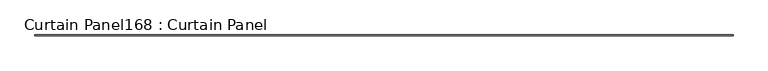
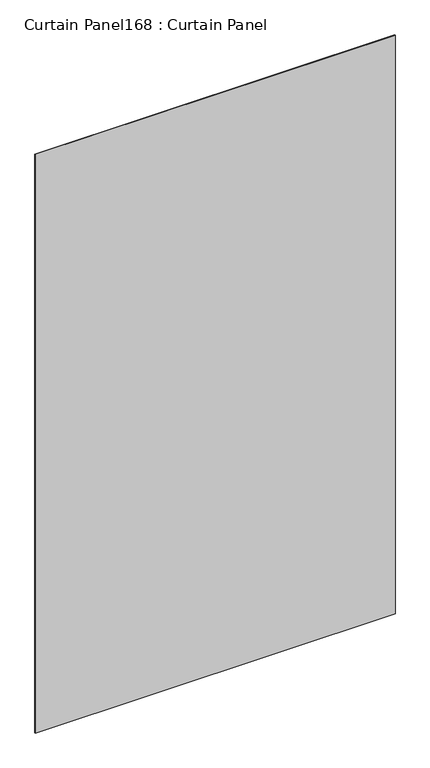
"""IFC4 building model written with IfcOpenShell, lengths in millimetres: plate geometry, Curtain Panel168 : Curtain Panel."""

import ifcopenshell
import ifcopenshell.guid

model = None  # the IFC model being written
_history = None  # IfcOwnerHistory: only IFC2X3 demands one
_inside = {}  # id of a spatial element -> (the spatial element, [elements in it])
_under = {}  # id of a project, library or spatial element -> (it, [spatial elements below it])
_declared = {}  # id of a project -> (the project, [libraries it declares])
_typed = {}  # id of a type object -> (the type object, [elements of that type])
_made_of = {}  # id of a material, layer set ... -> (it, [elements and type objects made of it])


def new_model(schema):
    """Start an empty IFC model of exactly this schema.

    Asked for "IFC4X3", IfcOpenShell would pick the latest addendum, in which some entities
    have other attributes; the version numbers below select the first issue.
    IFC2X3 requires an IfcOwnerHistory on every rooted entity: one is made here for all.
    """
    global model, _history
    if schema == "IFC4X3":
        model = ifcopenshell.file(schema_version=(4, 3, 0, 0))
    else:
        model = ifcopenshell.file(schema=schema)
    _inside.clear()
    _under.clear()
    _declared.clear()
    _typed.clear()
    _made_of.clear()
    _history = None
    if model.schema == "IFC2X3":
        org = make("IfcOrganization", Name="unknown")
        user = make(
            "IfcPersonAndOrganization",
            ThePerson=make("IfcPerson", FamilyName="unknown"),
            TheOrganization=org,
        )
        app = make(
            "IfcApplication",
            ApplicationDeveloper=org,
            Version="unknown",
            ApplicationFullName="unknown",
            ApplicationIdentifier="unknown",
        )
        _history = make(
            "IfcOwnerHistory",
            OwningUser=user,
            OwningApplication=app,
            ChangeAction="ADDED",
            CreationDate=0,
        )
    return model


def make(cls, **values):
    """One entity of the class cls with the attributes given. An attribute that is None is left unset."""
    return model.create_entity(
        cls, **{name: value for name, value in values.items() if value is not None}
    )


def rooted(cls, **values):
    """An entity with a GlobalId (a new one), such as an element, a storey or a relation."""
    return make(cls, GlobalId=ifcopenshell.guid.new(), OwnerHistory=_history, **values)


def si_unit(unit_type, name, prefix=None):
    """IfcSIUnit, for example si_unit("LENGTHUNIT", "METRE", prefix="MILLI")."""
    return make("IfcSIUnit", UnitType=unit_type, Prefix=prefix, Name=name)


def assignment(units):
    """IfcUnitAssignment: the units of a project."""
    return None if units is None else make("IfcUnitAssignment", Units=units)


def point(xyz):
    """IfcCartesianPoint."""
    return None if xyz is None else make("IfcCartesianPoint", Coordinates=xyz)


def direction(xyz):
    """IfcDirection."""
    return None if xyz is None else make("IfcDirection", DirectionRatios=xyz)


def frame(location, z_axis=None, x_axis=None):
    """IfcAxis2Placement3D, a coordinate frame: its origin and axes. An axis left out is left unset."""
    return make(
        "IfcAxis2Placement3D",
        Location=point(location),
        Axis=direction(z_axis),
        RefDirection=direction(x_axis),
    )


def origin():
    """The frame at (0, 0, 0) with its axes left unset."""
    return frame((0.0, 0.0, 0.0))


def place(relative_to, where):
    """IfcLocalPlacement: puts the frame where relative to a parent placement (None: the world)."""
    return make(
        "IfcLocalPlacement", PlacementRelTo=relative_to, RelativePlacement=where
    )


def context(
    kind, dimensions, precision=None, world=None, true_north=None, identifier=None
):
    """IfcGeometricRepresentationContext, for example the 3D "Model" context."""
    return make(
        "IfcGeometricRepresentationContext",
        ContextIdentifier=identifier,
        ContextType=kind,
        CoordinateSpaceDimension=dimensions,
        Precision=precision,
        WorldCoordinateSystem=world,
        TrueNorth=true_north,
    )


def project(units=None, contexts=None):
    """IfcProject with its units and contexts."""
    return rooted(
        "IfcProject",
        Name="project",
        RepresentationContexts=contexts,
        UnitsInContext=assignment(units),
    )


def spatial(cls, under=None, at=None, **own):
    """A site, building, storey or space (cls), placed at a placement, below another one or the project."""
    s = rooted(cls, ObjectPlacement=at, **own)
    if under is not None:
        _under.setdefault(under.id(), (under, []))[1].append(s)
    return s


def polyline(points):
    """IfcPolyline through the points."""
    return make("IfcPolyline", Points=[point(p) for p in points])


def outline(outer, holes=None, kind="AREA"):
    """IfcArbitraryClosedProfileDef: a profile drawn as a closed curve; with holes, ...WithVoids."""
    if holes is None:
        return make("IfcArbitraryClosedProfileDef", ProfileType=kind, OuterCurve=outer)
    return make(
        "IfcArbitraryProfileDefWithVoids",
        ProfileType=kind,
        OuterCurve=outer,
        InnerCurves=holes,
    )


def extrude(swept, where, along, depth):
    """IfcExtrudedAreaSolid: the profile swept, set in the frame where, extruded along a direction by depth."""
    return make(
        "IfcExtrudedAreaSolid",
        SweptArea=swept,
        Position=where,
        ExtrudedDirection=direction(along),
        Depth=depth,
    )


def shape(context_of_items, identifier, shape_type, items):
    """IfcShapeRepresentation: the items that make up one representation, for example the "Body"."""
    return make(
        "IfcShapeRepresentation",
        ContextOfItems=context_of_items,
        RepresentationIdentifier=identifier,
        RepresentationType=shape_type,
        Items=items,
    )


def source(mapping_origin, context_of_items, identifier, shape_type, items):
    """IfcRepresentationMap: a shape defined once, which mapped items show again and again."""
    return make(
        "IfcRepresentationMap",
        MappingOrigin=mapping_origin,
        MappedRepresentation=shape(context_of_items, identifier, shape_type, items),
    )


def transform(
    local_origin,
    x_axis=None,
    y_axis=None,
    z_axis=None,
    scale=None,
    scale2=None,
    scale3=None,
    uniform=True,
):
    """IfcCartesianTransformationOperator3D, or its non-uniform kind. x_axis, y_axis, z_axis: its Axis1, 2, 3."""
    if uniform:
        return make(
            "IfcCartesianTransformationOperator3D",
            Axis1=direction(x_axis),
            Axis2=direction(y_axis),
            LocalOrigin=point(local_origin),
            Scale=scale,
            Axis3=direction(z_axis),
        )
    return make(
        "IfcCartesianTransformationOperator3DnonUniform",
        Axis1=direction(x_axis),
        Axis2=direction(y_axis),
        LocalOrigin=point(local_origin),
        Scale=scale,
        Axis3=direction(z_axis),
        Scale2=scale2,
        Scale3=scale3,
    )


def mapped(mapping_source, mapping_target):
    """IfcMappedItem: shows the shape of a source again, moved by a transform."""
    return make(
        "IfcMappedItem", MappingSource=mapping_source, MappingTarget=mapping_target
    )


def made_of(thing, what):
    """Note that an element or type object is made of a material, layer set ...; save() writes the relation."""
    if what is not None:
        _made_of.setdefault(what.id(), (what, []))[1].append(thing)
    return thing


def element(
    cls,
    number,
    at=None,
    inside=None,
    cuts=None,
    type_object=None,
    material=None,
    context=None,
    identifier="Body",
    shape_type=None,
    held_by="IfcProductDefinitionShape",
    body=None,
    shapes=None,
    **own,
):
    """One element of the class cls, such as IfcWall. Its Tag is "e" and its number.

    at: its placement. inside: the storey or other place that contains it. cuts: it is an
    opening in that element (IfcRelVoidsElement). A single representation is given by context,
    identifier, shape_type and body (its items); several are given by shapes. held_by: the class
    of the entity that holds the representations. save() writes the other relations.
    """
    e = rooted(cls, Tag="e%d" % number, ObjectPlacement=at, **own)
    if body is not None:
        shapes = [shape(context, identifier, shape_type, body)]
    if shapes is not None:
        e.Representation = make(held_by, Representations=shapes)
    if inside is not None:
        _inside.setdefault(inside.id(), (inside, []))[1].append(e)
    if cuts is not None:
        rooted(
            "IfcRelVoidsElement", RelatingBuildingElement=cuts, RelatedOpeningElement=e
        )
    if type_object is not None:
        _typed.setdefault(type_object.id(), (type_object, []))[1].append(e)
    return made_of(e, material)


def aggregate(whole, parts):
    """IfcRelAggregates: a whole, such as a stair, and the parts it consists of."""
    return rooted("IfcRelAggregates", RelatingObject=whole, RelatedObjects=parts)


def save(model, path):
    """Write the relations noted so far, then the file.

    IfcRelAggregates (storeys below a building ...), IfcRelContainedInSpatialStructure (elements
    in a storey), IfcRelDefinesByType, IfcRelAssociatesMaterial and IfcRelDeclares: one each for
    every whole, place, type object, material and project.
    """
    for whole, parts in _under.values():
        aggregate(whole, parts)
    for where, things in _inside.values():
        rooted(
            "IfcRelContainedInSpatialStructure",
            RelatedElements=things,
            RelatingStructure=where,
        )
    for kind, things in _typed.values():
        rooted("IfcRelDefinesByType", RelatedObjects=things, RelatingType=kind)
    for what, things in _made_of.values():
        rooted("IfcRelAssociatesMaterial", RelatedObjects=things, RelatingMaterial=what)
    for by, libraries in _declared.values():
        rooted("IfcRelDeclares", RelatingContext=by, RelatedDefinitions=libraries)
    model.write(path)


def curtain_panel168_curtain_panel_a38130ba(model_context):
    return source(origin(), model_context, "Body", "SweptSolid", [
        extrude(outline(polyline([(462367.2274099, 2292.6839321), (456335.1898115, 2292.6839321), (456335.1898115, 2299.0339321), (462367.2274099, 2299.0339321), (462367.2274099, 2292.6839321)])), frame((0.0, 0.0, 5167.6964155), z_axis=(0.0, 0.0, 1.0), x_axis=(1.0, 0.0, 0.0)), (0.0, 0.0, 1.0), 10254.6966773),
    ])


if __name__ == "__main__":
    model = new_model("IFC4")
    model_context = context("Model", 3, world=origin())
    ifc_project = project(units=[si_unit("LENGTHUNIT", "METRE", prefix="MILLI")], contexts=[model_context])
    site = spatial("IfcSite", under=ifc_project)
    building = spatial("IfcBuilding", under=site)
    placement = place(None, origin())
    curtain_panel168_curtain_panel_shape = curtain_panel168_curtain_panel_a38130ba(model_context)
    element("IfcPlate", 1, ObjectType="Curtain Panel168 : Curtain Panel", at=placement, inside=building, context=model_context, shape_type="MappedRepresentation", body=[
        mapped(curtain_panel168_curtain_panel_shape, transform((0.0, 0.0, 0.0), x_axis=(1.0, 0.0, 0.0), y_axis=(0.0, 1.0, 0.0), z_axis=(0.0, 0.0, 1.0))),
    ])
    save(model, "model.ifc")
